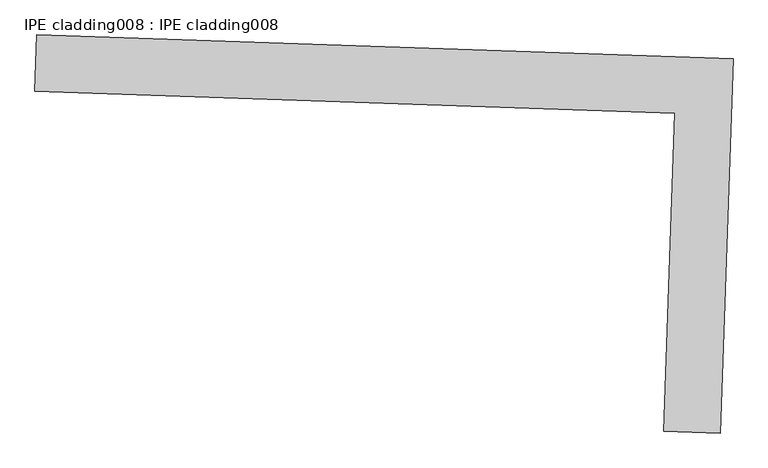
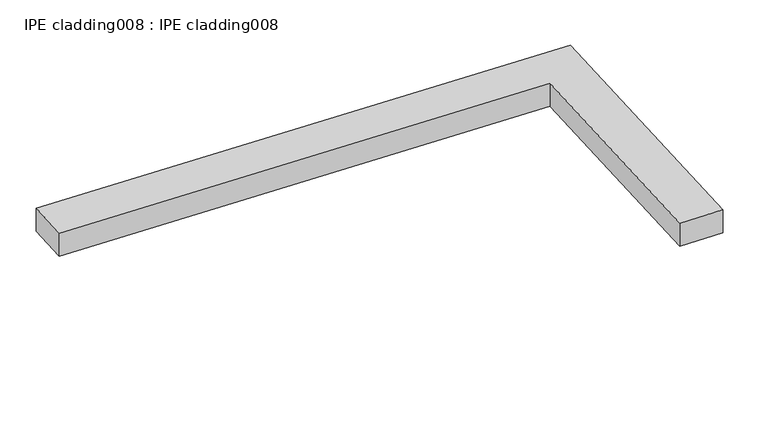
"""IFC4 building model written with IfcOpenShell, lengths in millimetres: proxy geometry, IPE cladding008 : IPE cladding008."""

from ifc_helpers import new_model, si_unit, frame, origin, place, context, project, spatial, polyline, outline, extrude, source, transform, mapped, element, save


def ipe_cladding008_ipe_cladding008_2f344fc8(model_context):
    return source(origin(), model_context, "Body", "SweptSolid", [
        extrude(outline(polyline([(17306.5036746, -14579.7358932), (17309.5442114, -14490.8879043), (18404.971373, -14528.3753769), (18384.8189498, -15117.2524155), (18295.9709607, -15114.2118788), (18313.0828475, -14614.1828289), (17306.5036746, -14579.7358932)])), frame((0.0, 0.0, 734.375707), z_axis=(0.0, 0.0, 1.0), x_axis=(1.0, 0.0, 0.0)), (0.0, 0.0, 1.0), 50.8),
    ])


if __name__ == "__main__":
    model = new_model("IFC4")
    model_context = context("Model", 3, world=origin())
    ifc_project = project(units=[si_unit("LENGTHUNIT", "METRE", prefix="MILLI")], contexts=[model_context])
    site = spatial("IfcSite", under=ifc_project)
    building = spatial("IfcBuilding", under=site)
    placement = place(None, origin())
    ipe_cladding008_ipe_cladding008_shape = ipe_cladding008_ipe_cladding008_2f344fc8(model_context)
    element("IfcBuildingElementProxy", 1, Name="IPE cladding008 : IPE cladding008", ObjectType="IPE cladding008 : IPE cladding008", at=placement, inside=building, context=model_context, shape_type="MappedRepresentation", body=[
        mapped(ipe_cladding008_ipe_cladding008_shape, transform((0.0, 0.0, 0.0), x_axis=(1.0, 0.0, 0.0), y_axis=(0.0, 1.0, 0.0), z_axis=(0.0, 0.0, 1.0))),
    ])
    save(model, "model.ifc")
